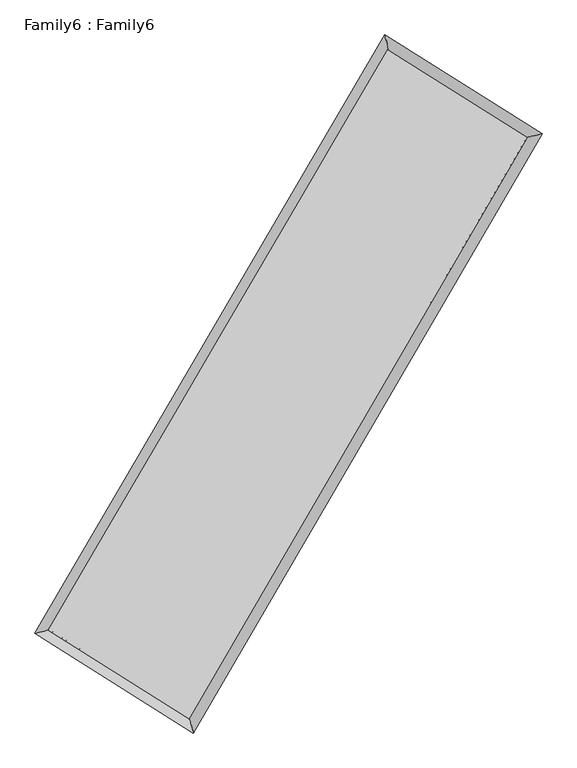
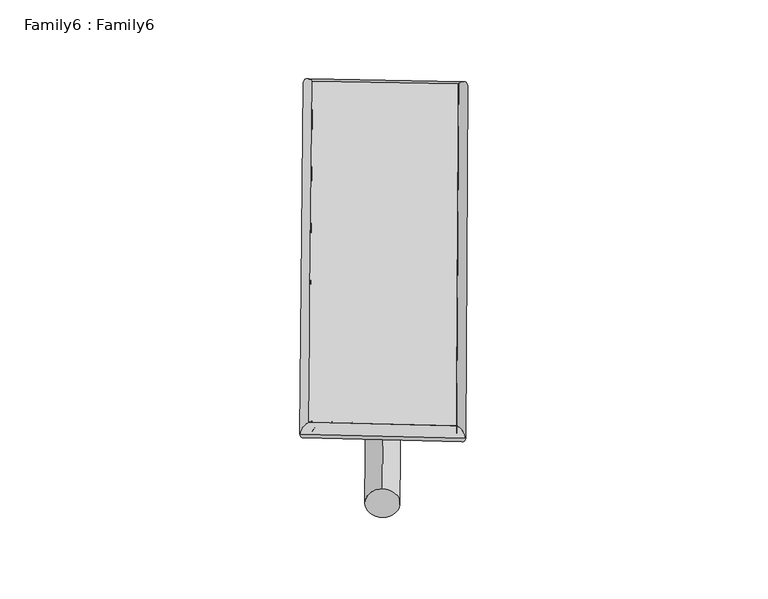
"""IFC4 building model written with IfcOpenShell, lengths in millimetres: plate geometry, Family6 : Family6."""

from ifc_helpers import new_model, si_unit, point, frame, origin, origin_2d, place, context, project, spatial, circle_curve, ellipse_curve, trimmed, segment, composite_curve, outline, extrude, source, transform, mapped, element, save
from ifc_brep_helpers import plane_surface, cylinder_surface, spline_surface, advanced_brep


def family6_family6_7ab7f7bf(model_context):
    return source(origin(), model_context, "Body", "SolidModel", [
        extrude(outline(composite_curve([segment(trimmed(circle_curve(origin_2d(), 76.2), [point((-75.4341514, -10.7763073))], [point((75.4341514, 10.7763073))], False, "CARTESIAN"), True, "CONTINUOUS"), segment(trimmed(circle_curve(origin_2d(), 76.2), [point((75.4341514, 10.7763073))], [point((-75.4341514, -10.7763073))], False, "CARTESIAN"), True, "CONTINUOUS")], self_intersect=False)), frame((9144.0, 9144.0, 0.0), z_axis=(0.6700831324780104, 0.6891685317537964, 0.2757450460276191), x_axis=(-0.6813195684372211, 0.7184712252617801, -0.1400098001404016)), (0.0, 0.0, 1.0), 5539.190678),
        extrude(outline(composite_curve([segment(trimmed(circle_curve(origin_2d(), 76.2), [point((-53.8815367, 53.8815367))], [point((53.8815367, -53.8815367))], False, "CARTESIAN"), True, "CONTINUOUS"), segment(trimmed(circle_curve(origin_2d(), 76.2), [point((53.8815367, -53.8815367))], [point((-53.8815367, 53.8815367))], False, "CARTESIAN"), True, "CONTINUOUS")], self_intersect=False)), frame((9144.0, 9144.0, 0.0), z_axis=(-0.6716058361842073, -0.6877045801293538, 0.2756955046286045), x_axis=(0.643422032396507, -0.3568575888423786, 0.6772449700901086)), (0.0, 0.0, 1.0), 5540.3083522),
        extrude(outline(composite_curve([segment(trimmed(circle_curve(origin_2d(), 76.2), [point((-53.8815367, -53.8815368))], [point((53.8815367, 53.8815368))], False, "CARTESIAN"), True, "CONTINUOUS"), segment(trimmed(circle_curve(origin_2d(), 76.2), [point((53.8815367, 53.8815368))], [point((-53.8815367, -53.8815368))], False, "CARTESIAN"), True, "CONTINUOUS")], self_intersect=False)), frame((9144.0, 9144.0, 0.0), z_axis=(0.27391258041064726, 0.9229883438577833, 0.27030430147418527), x_axis=(-0.8395903594056435, 0.36656776055806606, -0.40089413229997106)), (0.0, 0.0, 1.0), 5614.4348009),
        extrude(outline(composite_curve([segment(trimmed(circle_curve(origin_2d(), 76.2), [point((-75.4341514, 10.7763073))], [point((75.4341514, -10.7763073))], False, "CARTESIAN"), True, "CONTINUOUS"), segment(trimmed(circle_curve(origin_2d(), 76.2), [point((75.4341514, -10.7763073))], [point((-75.4341514, 10.7763073))], False, "CARTESIAN"), True, "CONTINUOUS")], self_intersect=False)), frame((9144.0, 9144.0, 0.0), z_axis=(-0.27214618478573227, -0.9235811305721504, 0.270063602430314), x_axis=(0.8796008630842354, -0.1249697266128683, 0.45900423646386257)), (0.0, 0.0, 1.0), 5619.9492374),
        advanced_brep(
        [(5217.1040481, 5283.5510611, 1526.6612989), (5217.1009294, 5283.5468199, 1528.3964765), (5629.0891048, 5384.2580807, 1528.214915), (10734.0280325, 14113.3740389, 1518.6702963), (10629.7006152, 14538.7417182, 1516.5414578), (5629.0922235, 5384.2623218, 1526.4797374), (12649.8836618, 12910.7087327, 1527.3058965), (13061.5528199, 13012.1630806, 1527.5028804), (7562.2122505, 4166.6026236, 1517.9281697), (7666.8922622, 3740.4392356, 1517.5593034)],
        [
            (0, 1, ellipse_curve(frame((5423.0965764, 5333.9045709, 1527.4381069), z_axis=(-0.23745859418627124, 0.9713957089015628, 0.0019475047393092606), x_axis=(-0.9713904762768112, -0.23746407154409455, 0.0033700629684266714)), 212.0638672, 152.4)),
            (1, 2, ellipse_curve(frame((5423.0965764, 5333.9045709, 1527.4381069), z_axis=(-0.23745859418627124, 0.9713957089015628, 0.0019475047393092606), x_axis=(-0.9713904762768112, -0.23746407154409455, 0.0033700629684266714)), 212.0638672, 152.4)),
            (2, 3),
            (3, 4, ellipse_curve(frame((10681.8643239, 14326.0578786, 1517.605877), z_axis=(-0.9712106364134577, -0.23821342713302035, -0.0020646672631747793), x_axis=(0.23820597802492163, -0.9712089998643424, 0.003315209751214027)), 218.9902352, 152.4)),
            (4, 0),
            (2, 5, ellipse_curve(frame((5423.0965764, 5333.9045709, 1527.4381069), z_axis=(-0.23745859418627124, 0.9713957089015628, 0.0019475047393092606), x_axis=(-0.9713904762768112, -0.23746407154409455, 0.0033700629684266714)), 212.0638672, 152.4)),
            (5, 0, ellipse_curve(frame((5423.0965764, 5333.9045709, 1527.4381069), z_axis=(-0.23745859418627124, 0.9713957089015628, 0.0019475047393092606), x_axis=(-0.9713904762768112, -0.23746407154409455, 0.0033700629684266714)), 212.0638672, 152.4)),
            (4, 3, ellipse_curve(frame((10681.8643239, 14326.0578786, 1517.605877), z_axis=(-0.9712106364134577, -0.23821342713302035, -0.0020646672631747793), x_axis=(0.23820597802492163, -0.9712089998643424, 0.003315209751214027)), 218.9902352, 152.4)),
            (3, 6),
            (6, 7, ellipse_curve(frame((12855.7182409, 12961.4359066, 1527.4043885), z_axis=(-0.23928539852228323, 0.9709471953300789, -0.0020104563377407333), x_axis=(-0.9709418616487787, -0.2392911504694317, -0.003412712267341625)), 211.9940919, 152.4)),
            (7, 4),
            (7, 6, ellipse_curve(frame((12855.7182409, 12961.4359066, 1527.4043885), z_axis=(-0.23928539852228323, 0.9709471953300789, -0.0020104563377407333), x_axis=(-0.9709418616487787, -0.2392911504694317, -0.003412712267341625)), 211.9940919, 152.4)),
            (6, 8),
            (8, 9, ellipse_curve(frame((7614.5522564, 3953.5209296, 1517.7437365), z_axis=(0.9711296377487194, 0.23854374271539397, -0.0020271895256696007), x_axis=(-0.23853658682671516, 0.9711280876268977, 0.0032456381784081237)), 219.4165383, 152.4)),
            (9, 7),
            (9, 8, ellipse_curve(frame((7614.5522564, 3953.5209296, 1517.7437365), z_axis=(0.9711296377487194, 0.23854374271539397, -0.0020271895256696007), x_axis=(-0.23853658682671516, 0.9711280876268977, 0.0032456381784081237)), 219.4165383, 152.4)),
            (8, 5),
            (1, 9),
        ],
        [
            cylinder_surface(frame((5423.0965764, 5333.9045709, 1527.4381069), z_axis=(-0.5048263239172169, -0.8632204190115603, 0.0009438653163660405), x_axis=(-0.8632080753204339, 0.5048125331887054, -0.006010410734252)), 152.4),
            cylinder_surface(frame((10681.8643239, 14326.0578786, 1517.605877), z_axis=(-0.8469462871927169, 0.5316647560853518, -0.0038175577500914283), x_axis=(0.5316760109883367, 0.8469423515770079, -0.003045068921727686)), 152.4),
            cylinder_surface(frame((12855.7182409, 12961.4359066, 1527.4043885), z_axis=(0.5029075038272437, 0.8643397383651172, 0.000926972044832378), x_axis=(0.8643401992667191, -0.5029075038272437, -0.0002500516336110969)), 152.4),
            cylinder_surface(frame((7614.5522564, 3953.5209296, 1517.7437365), z_axis=(0.8461262373839844, -0.5329693989489664, -0.003743019422706653), x_axis=(-0.5329627914067459, -0.8461344759494844, 0.0026667556357526556)), 152.4),
        ],
        [
            (0, [[1, 2, 3, 4, 5]]),
            (0, [[6, 7, -5, 8, -3]]),
            (1, [[-4, 9, 10, 11]]),
            (1, [[-8, -11, 12, -9]]),
            (2, [[-10, 13, 14, 15]]),
            (2, [[-12, -15, 16, -13]]),
            (3, [[-14, 17, -6, -2, 18]]),
            (3, [[-16, -18, -1, -7, -17]]),
        ],
    ),
        extrude(outline(composite_curve([segment(trimmed(circle_curve(origin_2d(), 304.8), [point((0.0, -304.8))], [point((0.0, 304.8))], False, "CARTESIAN"), True, "CONTINUOUS"), segment(trimmed(circle_curve(origin_2d(), 304.8), [point((0.0, 304.8))], [point((0.0, -304.8))], False, "CARTESIAN"), True, "CONTINUOUS")], self_intersect=False)), frame((6506.2044718, 4634.3999695, -0.0003292), z_axis=(0.5048982818705314, 0.8631788487701617, 6.300377207161499e-08), x_axis=(-0.8631788487701638, 0.5048982818705314, 1.7073238187154338e-08)), (0.0, 0.0, 1.0), 10448.8195858),
        advanced_brep(
        [(5423.0965764, 5333.9045709, 1527.4381069), (7614.5522564, 3953.5209296, 1517.7437365), (7614.5524863, 3953.5222167, 1670.1437365), (5423.0968063, 5333.905858, 1679.8381069), (12855.7182409, 12961.4359066, 1527.4043885), (12855.7184708, 12961.4371937, 1679.8043884), (10681.8643239, 14326.0578786, 1517.605877), (10681.8645538, 14326.0591657, 1670.005877)],
        [
            (0, 1),
            (1, 2),
            (2, 3),
            (3, 0),
            (1, 4),
            (4, 5),
            (5, 2),
            (4, 6),
            (6, 7),
            (7, 5),
            (6, 0),
            (3, 7),
        ],
        [
            plane_surface(frame((6518.8244164, 4643.7127502, 1522.5909217), z_axis=(-0.5329731072951275, -0.8461321804759427, 7.95004277069568e-06), x_axis=(0.8461262373839845, -0.5329693989489662, -0.003743019422706653))),
            plane_surface(frame((10235.1352486, 8457.4784181, 1522.5740625), z_axis=(0.8643401083431684, -0.5029077222519623, 2.9433748718726274e-06), x_axis=(0.5029075038272434, 0.8643397383651173, 0.0009269720448323806))),
            plane_surface(frame((11768.7912824, 13643.7468926, 1522.5051327), z_axis=(0.5316686560057611, 0.8469524426777135, -7.955002414417219e-06), x_axis=(-0.8469462871927166, 0.5316647560853522, -0.0038175577500914265))),
            plane_surface(frame((8052.4804501, 9829.9812247, 1522.521992), z_axis=(-0.8632208049326954, 0.5048265463726926, -2.961268874499272e-06), x_axis=(-0.5048263239172169, -0.8632204190115603, 0.0009438653163660422))),
            spline_surface(1, 1, [[(7614.5524863, 3953.5222167, 1670.1437365), (5423.0968063, 5333.905858, 1679.8381069)], [(12855.7184708, 12961.4371937, 1679.8043884), (10681.8645538, 14326.0591657, 1670.005877)]], [2, 2], [2, 2], [0.0, 1.0], [0.0, 1.0]),
            spline_surface(1, 1, [[(10681.8643239, 14326.0578786, 1517.605877), (5423.0965764, 5333.9045709, 1527.4381069)], [(12855.7182409, 12961.4359066, 1527.4043885), (7614.5522564, 3953.5209296, 1517.7437365)]], [2, 2], [2, 2], [0.0, 1.0], [0.0, 1.0]),
        ],
        [
            (0, [[1, 2, 3, 4]]),
            (1, [[5, 6, 7, -2]]),
            (2, [[8, 9, 10, -6]]),
            (3, [[11, -4, 12, -9]]),
            (4, [[-3, -7, -10, -12]]),
            (5, [[-11, -8, -5, -1]]),
        ],
    ),
    ])


if __name__ == "__main__":
    model = new_model("IFC4")
    model_context = context("Model", 3, world=origin())
    ifc_project = project(units=[si_unit("LENGTHUNIT", "METRE", prefix="MILLI")], contexts=[model_context])
    site = spatial("IfcSite", under=ifc_project)
    building = spatial("IfcBuilding", under=site)
    placement = place(None, origin())
    family6_family6_shape = family6_family6_7ab7f7bf(model_context)
    element("IfcPlate", 1, ObjectType="Family6 : Family6", at=placement, inside=building, context=model_context, shape_type="MappedRepresentation", body=[
        mapped(family6_family6_shape, transform((0.0, 0.0, 0.0), x_axis=(1.0, 0.0, 0.0), y_axis=(0.0, 1.0, 0.0), z_axis=(0.0, 0.0, 1.0))),
    ])
    save(model, "model.ifc")
